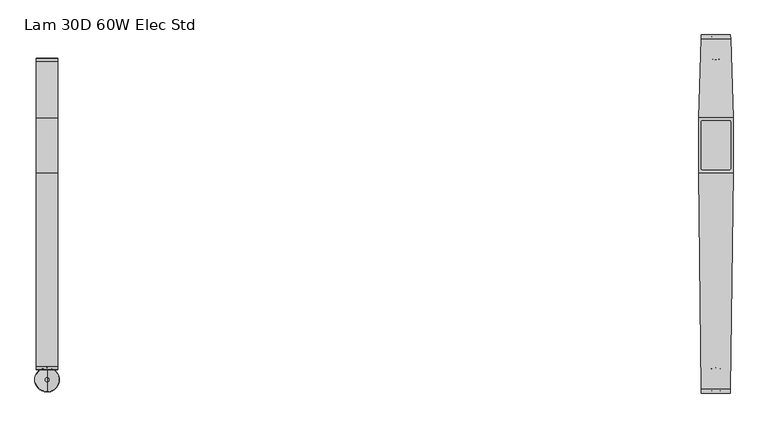
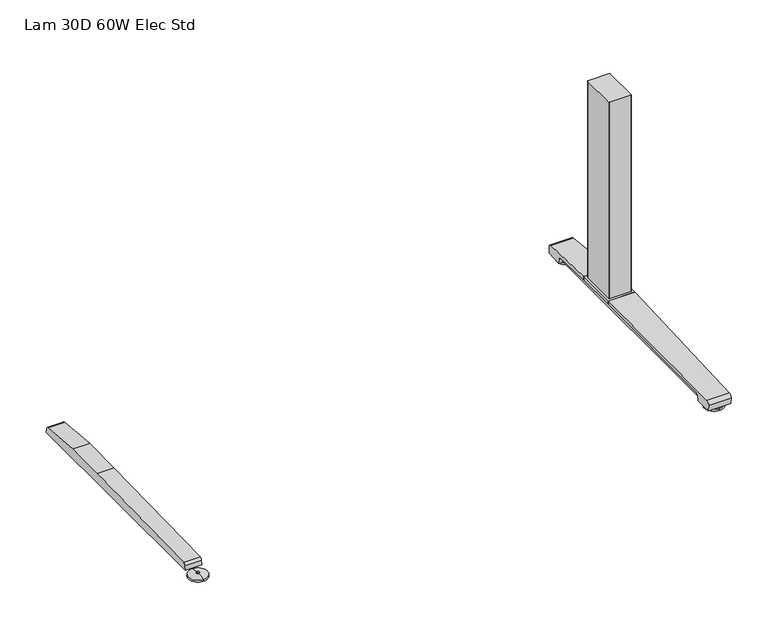
"""IFC4 building model written with IfcOpenShell, lengths in millimetres: furniture geometry, Lam 30D 60W Elec Std."""

from ifc_helpers import new_model, si_unit, point, frame, frame_2d, origin, place, context, project, spatial, polyline, circle_curve, ellipse_curve, trimmed, segment, composite_curve, outline, extrude, source, transform, mapped, element, save
from ifc_brep_helpers import plane_surface, cylinder_surface, revolved_surface, advanced_brep


def lam_30d_60w_elec_std_7ccabc96(model_context):
    return source(origin(), model_context, "Body", "SolidModel", [
        advanced_brep(
        [(-684.276, -364.1643617, 0.0), (-684.276, -313.9743384, 0.0), (-684.276, -339.06935, 0.0), (-684.276, -364.0796512, 5.0038001), (-684.276, -314.0590489, 5.0038001), (-684.276, -343.0698499, 8.4327997), (-684.276, -335.0688501, 8.4327997), (-684.276, -343.0698499, 10.0423733), (-684.276, -335.0688501, 10.0423733), (-684.276, -339.06935, 10.0423733)],
        [
            (0, 1, circle_curve(frame((-684.276, -339.06935, 0.0), z_axis=(0.0, 0.0, -1.0), x_axis=(0.0, 1.0, 0.0)), 25.0950117)),
            (1, 2),
            (2, 0),
            (1, 0, circle_curve(frame((-684.276, -339.06935, 0.0), z_axis=(0.0, 0.0, -1.0), x_axis=(0.0, 1.0, 0.0)), 25.0950117)),
            (3, 4, circle_curve(frame((-684.276, -339.06935, 5.0038001), z_axis=(0.0, 0.0, -1.0), x_axis=(0.0, 1.0, 0.0)), 25.0103012)),
            (4, 1),
            (0, 3),
            (4, 3, circle_curve(frame((-684.276, -339.06935, 5.0038001), z_axis=(0.0, 0.0, -1.0), x_axis=(0.0, 1.0, 0.0)), 25.0103012)),
            (5, 6, circle_curve(frame((-684.276, -339.06935, 8.4327997), z_axis=(0.0, 0.0, -1.0), x_axis=(0.0, 1.0, 0.0)), 4.0004999)),
            (6, 4, circle_curve(frame((-684.276, -335.0368668, -57.4502444), z_axis=(-1.0, 0.0, 0.0), x_axis=(0.0, 1.0, 0.0)), 65.8830518)),
            (3, 5, circle_curve(frame((-684.276, -343.1018333, -57.4502444), z_axis=(-1.0, 0.0, 0.0), x_axis=(0.0, -1.0, 0.0)), 65.8830518)),
            (6, 5, circle_curve(frame((-684.276, -339.06935, 8.4327997), z_axis=(0.0, 0.0, -1.0), x_axis=(0.0, 1.0, 0.0)), 4.0004999)),
            (7, 8, circle_curve(frame((-684.276, -339.06935, 10.0423733), z_axis=(0.0, 0.0, -1.0), x_axis=(0.0, 1.0, 0.0)), 4.0004999)),
            (8, 6),
            (5, 7),
            (8, 7, circle_curve(frame((-684.276, -339.06935, 10.0423733), z_axis=(0.0, 0.0, -1.0), x_axis=(0.0, 1.0, 0.0)), 4.0004999)),
            (9, 8),
            (7, 9),
        ],
        [
            plane_surface(frame((-684.276, -339.06935, 0.0), z_axis=(0.0, 0.0, -1.0), x_axis=(0.0, 1.0, 0.0))),
            revolved_surface(polyline([(-684.276, -313.9743384, 0.0), (-684.276, -314.0590489, 5.0038001)]), (-684.276, -339.06935, 0.0), (0.0, 0.0, 1.0)),
            revolved_surface(trimmed(ellipse_curve(frame((-684.276, -335.0368668, -57.4502444), z_axis=(1.0, 0.0, 0.0), x_axis=(0.0, 1.0, 0.0)), 65.8830518, 65.8830518), [point((-684.276, -314.0590489, 5.0038001))], [point((-684.276, -335.0688501, 8.4327997))], True, "CARTESIAN"), (-684.276, -339.06935, 0.0), (0.0, 0.0, 1.0)),
            cylinder_surface(frame((-684.276, -339.06935, 0.0), z_axis=(0.0, 0.0, 1.0), x_axis=(0.0, 1.0, 0.0)), 4.0004999),
            plane_surface(frame((-684.276, -339.06935, 10.0423733), z_axis=(0.0, 0.0, 1.0), x_axis=(0.0, 1.0, 0.0))),
        ],
        [
            (0, [[1, 2, 3]]),
            (0, [[4, -3, -2]]),
            (1, [[5, 6, -1, 7]]),
            (1, [[8, -7, -4, -6]]),
            (2, [[9, 10, -5, 11]]),
            (2, [[12, -11, -8, -10]]),
            (3, [[13, 14, -9, 15]]),
            (3, [[16, -15, -12, -14]]),
            (4, [[17, -13, 18]]),
            (4, [[-18, -16, -17]]),
        ],
    ),
        extrude(outline(composite_curve([segment(polyline([(317.3152602, 22.833301), (318.3038309, 11.5339019), (-318.3038309, 11.5339019), (-317.3152602, 22.833301)]), True, "CONTINUOUS"), segment(trimmed(circle_curve(frame_2d((-310.4929906, 22.2364289)), 6.8483297), [point((-317.3152602, 22.833301))], [point((-311.3603185, 29.0296138))], False, "CARTESIAN"), True, "CONTINUOUS"), segment(polyline([(-311.3603185, 29.0296138), (84.6231873, 38.9541198), (196.8596127, 38.9541198), (311.3603185, 29.0296138)]), True, "CONTINUOUS"), segment(trimmed(circle_curve(frame_2d((310.4929906, 22.2364289)), 6.8483297), [point((311.3603185, 29.0296138))], [point((317.3152602, 22.833301))], False, "CARTESIAN"), True, "CONTINUOUS")], self_intersect=False)), frame((-706.2724, 0.0, 0.0), z_axis=(1.0, 0.0, 0.0), x_axis=(0.0, 1.0, 0.0)), (0.0, 0.0, 1.0), 43.9928),
        extrude(outline(composite_curve([segment(trimmed(circle_curve(frame_2d((711.8521079, 188.3835079)), 2.3323921), [point((711.8521079, 190.7159))], [point((714.1845, 188.3835079))], False, "CARTESIAN"), True, "CONTINUOUS"), segment(polyline([(714.1845, 188.3835079), (714.1845, 93.0992921)]), True, "CONTINUOUS"), segment(trimmed(circle_curve(frame_2d((711.8521079, 93.0992921)), 2.3323921), [point((714.1845, 93.0992921))], [point((711.8521079, 90.7669))], False, "CARTESIAN"), True, "CONTINUOUS"), segment(polyline([(711.8521079, 90.7669), (656.6998921, 90.7669)]), True, "CONTINUOUS"), segment(trimmed(circle_curve(frame_2d((656.6998921, 93.0992921)), 2.3323921), [point((656.6998921, 90.7669))], [point((654.3675, 93.0992921))], False, "CARTESIAN"), True, "CONTINUOUS"), segment(polyline([(654.3675, 93.0992921), (654.3675, 188.3835079)]), True, "CONTINUOUS"), segment(trimmed(circle_curve(frame_2d((656.6998921, 188.3835079)), 2.3323921), [point((654.3675, 188.3835079))], [point((656.6998921, 190.7159))], False, "CARTESIAN"), True, "CONTINUOUS"), segment(polyline([(656.6998921, 190.7159), (711.8521079, 190.7159)]), True, "CONTINUOUS")], self_intersect=False)), frame((0.0, 0.0, 48.10013), z_axis=(0.0, 0.0, 1.0), x_axis=(1.0, 0.0, 0.0)), (0.0, 0.0, 1.0), 550.9989485),
        advanced_brep(
        [(684.276, 314.8489737, 0.0), (684.276, 365.038997, 0.0), (684.276, 339.9439854, 0.0), (684.276, 314.9336842, 5.0038001), (684.276, 364.9542866, 5.0038001), (684.276, 335.9434855, 8.4327997), (684.276, 343.9444853, 8.4327997), (684.276, 335.9434855, 10.0423733), (684.276, 343.9444853, 10.0423733), (684.276, 339.9439854, 10.0423733)],
        [
            (0, 1, circle_curve(frame((684.276, 339.9439854, 0.0), z_axis=(0.0, 0.0, -1.0), x_axis=(0.0, 1.0, 0.0)), 25.0950117)),
            (1, 2),
            (2, 0),
            (1, 0, circle_curve(frame((684.276, 339.9439854, 0.0), z_axis=(0.0, 0.0, -1.0), x_axis=(0.0, 1.0, 0.0)), 25.0950117)),
            (3, 4, circle_curve(frame((684.276, 339.9439854, 5.0038001), z_axis=(0.0, 0.0, -1.0), x_axis=(0.0, 1.0, 0.0)), 25.0103012)),
            (4, 1),
            (0, 3),
            (4, 3, circle_curve(frame((684.276, 339.9439854, 5.0038001), z_axis=(0.0, 0.0, -1.0), x_axis=(0.0, 1.0, 0.0)), 25.0103012)),
            (5, 6, circle_curve(frame((684.276, 339.9439854, 8.4327997), z_axis=(0.0, 0.0, -1.0), x_axis=(0.0, 1.0, 0.0)), 4.0004999)),
            (6, 4, circle_curve(frame((684.276, 343.9764687, -57.4502444), z_axis=(-1.0, 0.0, 0.0), x_axis=(0.0, 1.0, 0.0)), 65.8830518)),
            (3, 5, circle_curve(frame((684.276, 335.9115021, -57.4502444), z_axis=(-1.0, 0.0, 0.0), x_axis=(0.0, -1.0, 0.0)), 65.8830518)),
            (6, 5, circle_curve(frame((684.276, 339.9439854, 8.4327997), z_axis=(0.0, 0.0, -1.0), x_axis=(0.0, 1.0, 0.0)), 4.0004999)),
            (7, 8, circle_curve(frame((684.276, 339.9439854, 10.0423733), z_axis=(0.0, 0.0, -1.0), x_axis=(0.0, 1.0, 0.0)), 4.0004999)),
            (8, 6),
            (5, 7),
            (8, 7, circle_curve(frame((684.276, 339.9439854, 10.0423733), z_axis=(0.0, 0.0, -1.0), x_axis=(0.0, 1.0, 0.0)), 4.0004999)),
            (9, 8),
            (7, 9),
        ],
        [
            plane_surface(frame((684.276, 339.9439854, 0.0), z_axis=(0.0, 0.0, -1.0), x_axis=(0.0, 1.0, 0.0))),
            revolved_surface(polyline([(684.276, 365.038997, 0.0), (684.276, 364.9542866, 5.0038001)]), (684.276, 339.9439854, 0.0), (0.0, 0.0, 1.0)),
            revolved_surface(trimmed(ellipse_curve(frame((684.276, 343.9764687, -57.4502444), z_axis=(1.0, 0.0, 0.0), x_axis=(0.0, 1.0, 0.0)), 65.8830518, 65.8830518), [point((684.276, 364.9542866, 5.0038001))], [point((684.276, 343.9444853, 8.4327997))], True, "CARTESIAN"), (684.276, 339.9439854, 0.0), (0.0, 0.0, 1.0)),
            cylinder_surface(frame((684.276, 339.9439854, 0.0), z_axis=(0.0, 0.0, 1.0), x_axis=(0.0, 1.0, 0.0)), 4.0004999),
            plane_surface(frame((684.276, 339.9439854, 10.0423733), z_axis=(0.0, 0.0, 1.0), x_axis=(0.0, 1.0, 0.0))),
        ],
        [
            (0, [[1, 2, 3]]),
            (0, [[4, -3, -2]]),
            (1, [[5, 6, -1, 7]]),
            (1, [[8, -7, -4, -6]]),
            (2, [[9, 10, -5, 11]]),
            (2, [[12, -11, -8, -10]]),
            (3, [[13, 14, -9, 15]]),
            (3, [[16, -15, -12, -14]]),
            (4, [[17, -13, 18]]),
            (4, [[-18, -16, -17]]),
        ],
    ),
        advanced_brep(
        [(684.276, -364.1643617, 0.0), (684.276, -313.9743384, 0.0), (684.276, -339.06935, 0.0), (684.276, -364.0796512, 5.0038001), (684.276, -314.0590489, 5.0038001), (684.276, -343.0698499, 8.4327997), (684.276, -335.0688501, 8.4327997), (684.276, -343.0698499, 10.0423733), (684.276, -335.0688501, 10.0423733), (684.276, -339.06935, 10.0423733)],
        [
            (0, 1, circle_curve(frame((684.276, -339.06935, 0.0), z_axis=(0.0, 0.0, -1.0), x_axis=(0.0, 1.0, 0.0)), 25.0950117)),
            (1, 2),
            (2, 0),
            (1, 0, circle_curve(frame((684.276, -339.06935, 0.0), z_axis=(0.0, 0.0, -1.0), x_axis=(0.0, 1.0, 0.0)), 25.0950117)),
            (3, 4, circle_curve(frame((684.276, -339.06935, 5.0038001), z_axis=(0.0, 0.0, -1.0), x_axis=(0.0, 1.0, 0.0)), 25.0103012)),
            (4, 1),
            (0, 3),
            (4, 3, circle_curve(frame((684.276, -339.06935, 5.0038001), z_axis=(0.0, 0.0, -1.0), x_axis=(0.0, 1.0, 0.0)), 25.0103012)),
            (5, 6, circle_curve(frame((684.276, -339.06935, 8.4327997), z_axis=(0.0, 0.0, -1.0), x_axis=(0.0, 1.0, 0.0)), 4.0004999)),
            (6, 4, circle_curve(frame((684.276, -335.0368668, -57.4502444), z_axis=(-1.0, 0.0, 0.0), x_axis=(0.0, 1.0, 0.0)), 65.8830518)),
            (3, 5, circle_curve(frame((684.276, -343.1018333, -57.4502444), z_axis=(-1.0, 0.0, 0.0), x_axis=(0.0, -1.0, 0.0)), 65.8830518)),
            (6, 5, circle_curve(frame((684.276, -339.06935, 8.4327997), z_axis=(0.0, 0.0, -1.0), x_axis=(0.0, 1.0, 0.0)), 4.0004999)),
            (7, 8, circle_curve(frame((684.276, -339.06935, 10.0423733), z_axis=(0.0, 0.0, -1.0), x_axis=(0.0, 1.0, 0.0)), 4.0004999)),
            (8, 6),
            (5, 7),
            (8, 7, circle_curve(frame((684.276, -339.06935, 10.0423733), z_axis=(0.0, 0.0, -1.0), x_axis=(0.0, 1.0, 0.0)), 4.0004999)),
            (9, 8),
            (7, 9),
        ],
        [
            plane_surface(frame((684.276, -339.06935, 0.0), z_axis=(0.0, 0.0, -1.0), x_axis=(0.0, 1.0, 0.0))),
            revolved_surface(polyline([(684.276, -313.9743384, 0.0), (684.276, -314.0590489, 5.0038001)]), (684.276, -339.06935, 0.0), (0.0, 0.0, 1.0)),
            revolved_surface(trimmed(ellipse_curve(frame((684.276, -335.0368668, -57.4502444), z_axis=(1.0, 0.0, 0.0), x_axis=(0.0, 1.0, 0.0)), 65.8830518, 65.8830518), [point((684.276, -314.0590489, 5.0038001))], [point((684.276, -335.0688501, 8.4327997))], True, "CARTESIAN"), (684.276, -339.06935, 0.0), (0.0, 0.0, 1.0)),
            cylinder_surface(frame((684.276, -339.06935, 0.0), z_axis=(0.0, 0.0, 1.0), x_axis=(0.0, 1.0, 0.0)), 4.0004999),
            plane_surface(frame((684.276, -339.06935, 10.0423733), z_axis=(0.0, 0.0, 1.0), x_axis=(0.0, 1.0, 0.0))),
        ],
        [
            (0, [[1, 2, 3]]),
            (0, [[4, -3, -2]]),
            (1, [[5, 6, -1, 7]]),
            (1, [[8, -7, -4, -6]]),
            (2, [[9, 10, -5, 11]]),
            (2, [[12, -11, -8, -10]]),
            (3, [[13, 14, -9, 15]]),
            (3, [[16, -15, -12, -14]]),
            (4, [[17, -13, 18]]),
            (4, [[-18, -16, -17]]),
        ],
    ),
        extrude(outline(polyline([(719.4068382, 196.8596127), (719.4068382, 84.6231873), (649.1451618, 84.6231873), (649.1451618, 196.8596127), (719.4068382, 196.8596127)])), frame((0.0, 0.0, 38.9541198), z_axis=(0.0, 0.0, 1.0), x_axis=(1.0, 0.0, 0.0)), (0.0, 0.0, 1.0), 9.1460102),
        advanced_brep(
        [(713.9735496, 366.395, 26.8186), (714.213509, 358.907527, 35.7787117), (719.4068382, 196.8596127, 48.10013), (719.4068382, 196.8596127, 38.9541198), (715.7373071, 311.3603185, 29.0296138), (715.5464625, 317.3152602, 22.833301), (715.5106016, 318.4342309, 10.0434261), (714.0198676, 364.9497362, 10.041053), (654.338849, 358.907527, 35.7787117), (654.5788083, 366.395, 26.8186), (654.5324903, 364.9497362, 10.041053), (653.0417563, 318.4342309, 10.0434261), (653.0058954, 317.3152602, 22.833301), (652.8150508, 311.3603185, 29.0296138), (649.1455193, 196.8596013, 38.9541208), (649.1455197, 196.8596127, 48.10013)],
        [
            (0, 1, ellipse_curve(frame((714.2380766, 358.1409412, 27.5296273), z_axis=(0.9994868545941118, 0.03203166392132806, 0.0), x_axis=(0.032031663921324206, -0.9994868545941118, 0.0)), 8.2888806, 8.2846272)),
            (1, 2, ellipse_curve(frame((769.3365776, -1361.1024809, -21513.5555312), z_axis=(0.9994868545941118, 0.03203166392132806, 0.0), x_axis=(0.032031663921324206, -0.9994868545941118, 0.0)), 21628.9673574, 21617.8685521)),
            (2, 3),
            (3, 4),
            (4, 5, ellipse_curve(frame((715.7651033, 310.4929906, 22.2364289), z_axis=(-0.9994868545941118, -0.03203166392132806, 0.0), x_axis=(-0.032031663921324206, 0.9994868545941118, 0.0)), 6.8518456, 6.8483297)),
            (5, 6),
            (6, 7),
            (7, 0),
            (8, 9, ellipse_curve(frame((654.3142813, 358.1409412, 27.5296273), z_axis=(-0.9994868545941165, 0.03203166392118305, 0.0), x_axis=(0.032031663921181265, 0.9994868545941163, 0.0)), 8.2888806, 8.2846272)),
            (9, 10),
            (10, 11),
            (11, 12),
            (12, 13, ellipse_curve(frame((652.7872546, 310.4929906, 22.2364289), z_axis=(0.9994868545941165, -0.03203166392118305, 0.0), x_axis=(-0.032031663921181265, -0.9994868545941163, 0.0)), 6.8518456, 6.8483297)),
            (13, 14),
            (14, 15),
            (15, 8, ellipse_curve(frame((599.2157803, -1361.1024809, -21513.5555312), z_axis=(-0.9994868545941165, 0.03203166392118305, 0.0), x_axis=(0.032031663921181265, 0.9994868545941163, 0.0)), 21628.9673574, 21617.8685521)),
            (0, 9),
            (8, 1),
            (7, 10),
            (6, 11),
            (5, 12),
            (4, 13),
            (3, 14),
            (2, 15),
        ],
        [
            plane_surface(frame((713.9226732, 367.9825, 48.10013), z_axis=(0.9994868545941118, 0.03203166392132806, 0.0), x_axis=(0.0, 0.0, -1.0))),
            plane_surface(frame((649.1455197, 196.8596127, 48.10013), z_axis=(-0.9994868545941165, 0.03203166392118305, 0.0), x_axis=(0.0, 0.0, -1.0))),
            cylinder_surface(frame((649.1451618, 358.1409412, 27.5296273), z_axis=(1.0, 0.0, 0.0), x_axis=(0.0, 1.0, 0.0)), 8.2846272),
            plane_surface(frame((719.4068382, 364.9497362, 10.041053), z_axis=(0.0, 0.9963102368703288, -0.08582489095471861), x_axis=(-1.0, 0.0, 0.0))),
            plane_surface(frame((719.4068382, 318.4342309, 10.0434261), z_axis=(0.0, -5.101798419269663e-05, -0.9999999986985827), x_axis=(-1.0, 0.0, 0.0))),
            plane_surface(frame((719.4068382, 317.3152602, 22.833301), z_axis=(0.0, -0.9961946873837872, -0.0871558651400954), x_axis=(-1.0, 0.0, 0.0))),
            revolved_surface(polyline([(652.567778584501, 317.3413203, 22.2364289), (715.9845793155, 317.3413203, 22.2364289)]), (649.1451618, 310.4929906, 22.2364289), (-1.0, 0.0, 0.0)),
            plane_surface(frame((719.4068382, 196.8596127, 38.9541198), z_axis=(0.0, -0.08635260649839663, -0.9962646372078722), x_axis=(-1.0, 0.0, 0.0))),
            plane_surface(frame((719.4068382, 196.8596127, 48.10013), z_axis=(0.0, -1.0, 0.0), x_axis=(-1.0, 0.0, 0.0))),
            cylinder_surface(frame((649.1451618, -1361.1024809, -21513.5555312), z_axis=(1.0, 0.0, 0.0), x_axis=(0.0, 1.0, 0.0)), 21617.8685521),
        ],
        [
            (0, [[1, 2, 3, 4, 5, 6, 7, 8]]),
            (1, [[9, 10, 11, 12, 13, 14, 15, 16]]),
            (2, [[17, -9, 18, -1]]),
            (3, [[-17, -8, 19, -10]]),
            (4, [[-19, -7, 20, -11]]),
            (5, [[-20, -6, 21, -12]]),
            (6, [[-21, -5, 22, -13]]),
            (7, [[23, -14, -22, -4]]),
            (8, [[-23, -3, 24, -15]]),
            (9, [[-24, -2, -18, -16]]),
        ],
    ),
        extrude(outline(composite_curve([segment(polyline([(317.3152602, 22.833301), (318.3038309, 11.5339019), (-318.3038309, 11.5339019), (-317.3152602, 22.833301)]), True, "CONTINUOUS"), segment(trimmed(circle_curve(frame_2d((-310.4929906, 22.2364289)), 6.8483297), [point((-317.3152602, 22.833301))], [point((-311.3603185, 29.0296138))], False, "CARTESIAN"), True, "CONTINUOUS"), segment(polyline([(-311.3603185, 29.0296138), (84.6231873, 38.9541198), (196.8596127, 38.9541198), (311.3603185, 29.0296138)]), True, "CONTINUOUS"), segment(trimmed(circle_curve(frame_2d((310.4929906, 22.2364289)), 6.8483297), [point((311.3603185, 29.0296138))], [point((317.3152602, 22.833301))], False, "CARTESIAN"), True, "CONTINUOUS")], self_intersect=False)), frame((662.2796, 0.0, 0.0), z_axis=(1.0, 0.0, 0.0), x_axis=(0.0, 1.0, 0.0)), (0.0, 0.0, 1.0), 43.9928),
        advanced_brep(
        [(714.0326335, -358.907527, 35.7787117), (654.5197244, -358.907527, 35.7787117), (654.6104491, -366.395, 26.8186), (713.9419088, -366.395, 26.8186), (654.5929371, -364.9497362, 10.041053), (713.9594208, -364.9497362, 10.041053), (654.0293147, -318.4342309, 10.0434261), (714.5230432, -318.4342309, 10.0434261), (654.0157562, -317.3152602, 22.833301), (714.5366017, -317.3152602, 22.833301), (653.943601, -311.3603185, 29.0296138), (714.6087569, -311.3603185, 29.0296138), (649.1451618, 84.6231873, 38.9541198), (719.4068382, 84.6231873, 38.9541198), (649.1455197, 84.6231873, 48.10013), (719.4068382, 84.6231873, 48.10013)],
        [
            (0, 1),
            (1, 2, ellipse_curve(frame((654.5104358, -358.1409412, 27.5296273), z_axis=(0.9999265987939379, 0.012115982188308264, 0.0), x_axis=(0.01211598218829372, -0.9999265987939379, 0.0)), 8.2852353, 8.2846272)),
            (2, 3),
            (3, 0, ellipse_curve(frame((714.0419221, -358.1409412, 27.5296273), z_axis=(-0.999926598793938, 0.01211598218829309, 0.0), x_axis=(0.012115982188293767, 0.9999265987939379, 0.0)), 8.2852353, 8.2846272)),
            (2, 4),
            (4, 5),
            (5, 3),
            (4, 6),
            (6, 7),
            (7, 5),
            (6, 8),
            (8, 9),
            (9, 7),
            (8, 10, ellipse_curve(frame((653.9330917, -310.4929906, 22.2364289), z_axis=(-0.9999265987939379, -0.012115982188308264, 0.0), x_axis=(-0.01211598218829372, 0.9999265987939379, 0.0)), 6.8488324, 6.8483297)),
            (10, 11),
            (11, 9, ellipse_curve(frame((714.6192662, -310.4929906, 22.2364289), z_axis=(0.999926598793938, -0.01211598218829309, 0.0), x_axis=(-0.012115982188293767, -0.9999265987939379, 0.0)), 6.8488324, 6.8483297)),
            (12, 13),
            (13, 11),
            (10, 12),
            (12, 14),
            (14, 15),
            (15, 13),
            (15, 0, ellipse_curve(frame((734.8737739, 1361.1024809, -53889.962004), z_axis=(0.999926598793938, -0.01211598218829309, 0.0), x_axis=(0.012115982188293767, 0.9999265987939379, 0.0)), 53957.1248938, 53953.1643758)),
            (1, 14, ellipse_curve(frame((633.678584, 1361.1024809, -53889.962004), z_axis=(-0.9999265987939379, -0.012115982188308264, 0.0), x_axis=(0.01211598218829372, -0.9999265987939379, 0.0)), 53957.1248938, 53953.1643758)),
        ],
        [
            cylinder_surface(frame((649.1451618, -358.1409412, 27.5296273), z_axis=(1.0, 0.0, 0.0), x_axis=(0.0, 1.0, 0.0)), 8.2846272),
            plane_surface(frame((719.4068382, -366.395, 26.8186), z_axis=(0.0, -0.9963102368705485, -0.0858248909521675), x_axis=(-1.0, 0.0, 0.0))),
            plane_surface(frame((719.4068382, -364.9497362, 10.041053), z_axis=(0.0, 5.101798391284063e-05, -0.9999999986985827), x_axis=(-1.0, 0.0, 0.0))),
            plane_surface(frame((719.4068382, -318.4342309, 10.0434261), z_axis=(0.0, 0.9961946873837968, -0.08715586513998663), x_axis=(-1.0, 0.0, 0.0))),
            revolved_surface(polyline([(653.850111368631, -303.64466089999996, 22.2364289), (714.7022465313689, -303.64466089999996, 22.2364289)]), (649.1451618, -310.4929906, 22.2364289), (-1.0, 0.0, 0.0)),
            plane_surface(frame((719.4068382, -311.3603185, 29.0296138), z_axis=(0.0, 0.025055059879514837, -0.999686072712046), x_axis=(-1.0, 0.0, 0.0))),
            plane_surface(frame((719.4068382, 84.6231873, 38.9541198), z_axis=(0.0, 1.0, 0.0), x_axis=(-1.0, 0.0, 0.0))),
            plane_surface(frame((719.4068382, 84.6231873, 48.10013), z_axis=(0.999926598793938, -0.01211598218829309, 0.0), x_axis=(0.0, 0.0, -1.0))),
            plane_surface(frame((654.6296847, -367.9825, 48.10013), z_axis=(-0.9999265987939379, -0.012115982188308264, 0.0), x_axis=(0.0, 0.0, -1.0))),
            cylinder_surface(frame((649.1451618, 1361.1024809, -53889.962004), z_axis=(1.0, 0.0, 0.0), x_axis=(0.0, 1.0, 0.0)), 53953.1643758),
        ],
        [
            (0, [[1, 2, 3, 4]]),
            (1, [[-3, 5, 6, 7]]),
            (2, [[-6, 8, 9, 10]]),
            (3, [[-9, 11, 12, 13]]),
            (4, [[-12, 14, 15, 16]]),
            (5, [[17, 18, -15, 19]]),
            (6, [[-17, 20, 21, 22]]),
            (7, [[-4, -7, -10, -13, -16, -18, -22, 23]]),
            (8, [[-2, 24, -20, -19, -14, -11, -8, -5]]),
            (9, [[-21, -24, -1, -23]]),
        ],
    ),
    ])


if __name__ == "__main__":
    model = new_model("IFC4")
    model_context = context("Model", 3, world=origin())
    ifc_project = project(units=[si_unit("LENGTHUNIT", "METRE", prefix="MILLI")], contexts=[model_context])
    site = spatial("IfcSite", under=ifc_project)
    building = spatial("IfcBuilding", under=site)
    placement = place(None, origin())
    lam_30d_60w_elec_std_shape = lam_30d_60w_elec_std_7ccabc96(model_context)
    element("IfcFurniture", 1, ObjectType="Lam 30D 60W Elec Std", at=placement, inside=building, context=model_context, shape_type="MappedRepresentation", body=[
        mapped(lam_30d_60w_elec_std_shape, transform((0.0, 0.0, 0.0), x_axis=(1.0, 0.0, 0.0), y_axis=(0.0, 1.0, 0.0), z_axis=(0.0, 0.0, 1.0))),
    ])
    save(model, "model.ifc")
